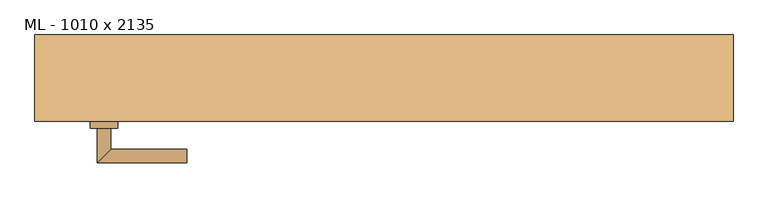
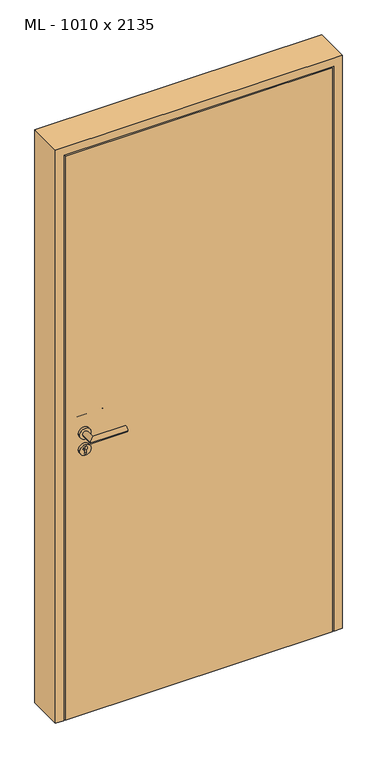
"""IFC4 building model written with IfcOpenShell, lengths in millimetres: door geometry, ML - 1010 x 2135."""

from ifc_helpers import new_model, si_unit, point, frame, frame_2d, origin, origin_with_axes, place, context, project, spatial, polyline, circle_curve, ellipse_curve, trimmed, segment, composite_curve, outline, extrude, faceted_brep, source, transform, mapped, element, save
from ifc_brep_helpers import plane_surface, cylinder_surface, advanced_brep


def ml_1010_x_2135_ade38ce4(model_context):
    return source(origin(), model_context, "Body", "SolidModel", [
        extrude(outline(polyline([(471.0, -62.5), (-471.0, -62.5), (-471.0, -17.5), (471.0, -17.5), (471.0, -62.5)])), origin_with_axes(), (0.0, 0.0, 1.0), 2101.0),
        advanced_brep(
        [(-395.0, -72.5, 1050.0), (-415.0, -72.5, 1050.0), (-415.0, -122.5, 1050.0), (-395.0, -102.5, 1050.0), (-285.0, -102.5, 1050.0), (-285.0, -122.5, 1050.0)],
        [
            (0, 1, circle_curve(frame((-405.0, -72.5, 1050.0), z_axis=(0.0, 1.0, 0.0), x_axis=(-1.0, 0.0, 0.0)), 10.0)),
            (1, 0, circle_curve(frame((-405.0, -72.5, 1050.0), z_axis=(0.0, 1.0, 0.0), x_axis=(-1.0, 0.0, 0.0)), 10.0)),
            (1, 2),
            (2, 3, ellipse_curve(frame((-405.0, -112.5, 1050.0), z_axis=(-0.7071067811865531, 0.7071067811865419, 0.0), x_axis=(0.707106781186542, 0.707106781186553, 0.0)), 14.1421356, 10.0)),
            (3, 0),
            (3, 2, ellipse_curve(frame((-405.0, -112.5, 1050.0), z_axis=(-0.7071067811865531, 0.7071067811865419, 0.0), x_axis=(0.707106781186542, 0.707106781186553, 0.0)), 14.1421356, 10.0)),
            (4, 5, circle_curve(frame((-285.0, -112.5, 1050.0), z_axis=(1.0, 0.0, 0.0), x_axis=(0.0, -1.0, 0.0)), 10.0)),
            (5, 4, circle_curve(frame((-285.0, -112.5, 1050.0), z_axis=(1.0, 0.0, 0.0), x_axis=(0.0, -1.0, 0.0)), 10.0)),
            (2, 5),
            (4, 3),
        ],
        [
            plane_surface(frame((-405.0, -72.5, 1050.0), z_axis=(0.0, 1.0, 0.0), x_axis=(0.0, 0.0, 1.0))),
            cylinder_surface(frame((-405.0, -72.5, 1050.0), z_axis=(0.0, 1.0, 0.0), x_axis=(-1.0, 0.0, 0.0)), 10.0),
            plane_surface(frame((-285.0, -112.5, 1050.0), z_axis=(1.0, 0.0, 0.0), x_axis=(0.0, 0.0, 1.0))),
            cylinder_surface(frame((-405.0, -112.5, 1050.0), z_axis=(-1.0, 0.0, 0.0), x_axis=(0.0, -1.0, 0.0)), 10.0),
        ],
        [
            (0, [[1, 2]]),
            (1, [[3, 4, 5, -2]]),
            (1, [[-5, 6, -3, -1]]),
            (2, [[7, 8]]),
            (3, [[9, -7, 10, -4]]),
            (3, [[-10, -8, -9, -6]]),
        ],
    ),
        extrude(outline(composite_curve([segment(trimmed(circle_curve(frame_2d((990.0, -405.0)), 20.0), [point((990.0, -425.0))], [point((990.0, -385.0))], False, "CARTESIAN"), True, "CONTINUOUS"), segment(trimmed(circle_curve(frame_2d((990.0, -405.0)), 20.0), [point((990.0, -385.0))], [point((990.0, -425.0))], False, "CARTESIAN"), True, "CONTINUOUS")], self_intersect=False), holes=[composite_curve([segment(polyline([(976.4601385, -407.397268), (988.4749012, -407.397268)]), True, "CONTINUOUS"), segment(trimmed(circle_curve(frame_2d((995.0361633, -405.0)), 6.9854888), [point((988.4749012, -407.397268))], [point((988.4749012, -402.602732))], True, "CARTESIAN"), True, "CONTINUOUS"), segment(polyline([(988.4749012, -402.602732), (976.4601385, -402.602732)]), True, "CONTINUOUS"), segment(trimmed(circle_curve(frame_2d((976.4601385, -405.0)), 2.397268), [point((976.4601385, -402.602732))], [point((976.4601385, -407.397268))], True, "CARTESIAN"), True, "CONTINUOUS")], self_intersect=False)]), frame((0.0, -72.5, 0.0), z_axis=(0.0, 1.0, 0.0), x_axis=(0.0, 0.0, 1.0)), (0.0, 0.0, 1.0), 10.0),
        advanced_brep(
        [(-395.0, -72.5, 1050.0), (-415.0, -72.5, 1050.0), (-415.0, -122.5, 1050.0), (-395.0, -102.5, 1050.0), (-285.0, -102.5, 1050.0), (-285.0, -122.5, 1050.0)],
        [
            (0, 1, circle_curve(frame((-405.0, -72.5, 1050.0), z_axis=(0.0, 1.0, 0.0), x_axis=(-1.0, 0.0, 0.0)), 10.0)),
            (1, 0, circle_curve(frame((-405.0, -72.5, 1050.0), z_axis=(0.0, 1.0, 0.0), x_axis=(-1.0, 0.0, 0.0)), 10.0)),
            (1, 2),
            (2, 3, ellipse_curve(frame((-405.0, -112.5, 1050.0), z_axis=(-0.7071067811865537, 0.7071067811865414, 0.0), x_axis=(0.7071067811865414, 0.7071067811865536, 0.0)), 14.1421356, 10.0)),
            (3, 0),
            (3, 2, ellipse_curve(frame((-405.0, -112.5, 1050.0), z_axis=(-0.7071067811865537, 0.7071067811865414, 0.0), x_axis=(0.7071067811865414, 0.7071067811865536, 0.0)), 14.1421356, 10.0)),
            (4, 5, circle_curve(frame((-285.0, -112.5, 1050.0), z_axis=(1.0, 0.0, 0.0), x_axis=(0.0, -1.0, 0.0)), 10.0)),
            (5, 4, circle_curve(frame((-285.0, -112.5, 1050.0), z_axis=(1.0, 0.0, 0.0), x_axis=(0.0, -1.0, 0.0)), 10.0)),
            (2, 5),
            (4, 3),
        ],
        [
            plane_surface(frame((-405.0, -72.5, 1050.0), z_axis=(0.0, 1.0, 0.0), x_axis=(0.0, 0.0, 1.0))),
            cylinder_surface(frame((-405.0, -72.5, 1050.0), z_axis=(0.0, 1.0, 0.0), x_axis=(-1.0, 0.0, 0.0)), 10.0),
            plane_surface(frame((-285.0, -112.5, 1050.0), z_axis=(1.0, 0.0, 0.0), x_axis=(0.0, 0.0, 1.0))),
            cylinder_surface(frame((-405.0, -112.5, 1050.0), z_axis=(-1.0, 0.0, 0.0), x_axis=(0.0, -1.0, 0.0)), 10.0),
        ],
        [
            (0, [[1, 2]]),
            (1, [[3, 4, 5, -2]]),
            (1, [[-5, 6, -3, -1]]),
            (2, [[7, 8]]),
            (3, [[9, -7, 10, -4]]),
            (3, [[-10, -8, -9, -6]]),
        ],
    ),
        extrude(outline(composite_curve([segment(trimmed(circle_curve(frame_2d((1050.0, -405.0)), 20.0), [point((1050.0, -425.0))], [point((1050.0, -385.0))], False, "CARTESIAN"), True, "CONTINUOUS"), segment(trimmed(circle_curve(frame_2d((1050.0, -405.0)), 20.0), [point((1050.0, -385.0))], [point((1050.0, -425.0))], False, "CARTESIAN"), True, "CONTINUOUS")], self_intersect=False)), frame((0.0, -72.5, 0.0), z_axis=(0.0, 1.0, 0.0), x_axis=(0.0, 0.0, 1.0)), (0.0, 0.0, 1.0), 10.0),
        advanced_brep(
        [(-395.0, -7.5, 1050.0), (-415.0, -7.5, 1050.0), (-395.0, 22.5, 1050.0), (-415.0, 42.5, 1050.0), (-285.0, 22.5, 1050.0), (-285.0, 42.5, 1050.0)],
        [
            (0, 1, circle_curve(frame((-405.0, -7.5, 1050.0), z_axis=(0.0, -1.0, 0.0), x_axis=(-1.0, 0.0, 0.0)), 10.0)),
            (1, 0, circle_curve(frame((-405.0, -7.5, 1050.0), z_axis=(0.0, -1.0, 0.0), x_axis=(-1.0, 0.0, 0.0)), 10.0)),
            (0, 2),
            (2, 3, ellipse_curve(frame((-405.0, 32.5, 1050.0), z_axis=(-0.7071067811865486, -0.7071067811865464, 0.0), x_axis=(0.7071067811865464, -0.7071067811865488, 0.0)), 14.1421356, 10.0)),
            (3, 1),
            (3, 2, ellipse_curve(frame((-405.0, 32.5, 1050.0), z_axis=(-0.7071067811865486, -0.7071067811865464, 0.0), x_axis=(0.7071067811865464, -0.7071067811865488, 0.0)), 14.1421356, 10.0)),
            (4, 5, circle_curve(frame((-285.0, 32.5, 1050.0), z_axis=(1.0, 0.0, 0.0), x_axis=(0.0, 1.0, 0.0)), 10.0)),
            (5, 4, circle_curve(frame((-285.0, 32.5, 1050.0), z_axis=(1.0, 0.0, 0.0), x_axis=(0.0, 1.0, 0.0)), 10.0)),
            (2, 4),
            (5, 3),
        ],
        [
            plane_surface(frame((-405.0, -7.5, 1050.0), z_axis=(0.0, -1.0, 0.0), x_axis=(0.0, 0.0, 1.0))),
            cylinder_surface(frame((-405.0, -7.5, 1050.0), z_axis=(0.0, -1.0, 0.0), x_axis=(-1.0, 0.0, 0.0)), 10.0),
            plane_surface(frame((-285.0, 32.5, 1050.0), z_axis=(1.0, 0.0, 0.0), x_axis=(0.0, 0.0, 1.0))),
            cylinder_surface(frame((-405.0, 32.5, 1050.0), z_axis=(-1.0, 0.0, 0.0), x_axis=(0.0, 1.0, 0.0)), 10.0),
        ],
        [
            (0, [[1, 2]]),
            (1, [[-1, 3, 4, 5]]),
            (1, [[-2, -5, 6, -3]]),
            (2, [[7, 8]]),
            (3, [[-4, 9, -8, 10]]),
            (3, [[-6, -10, -7, -9]]),
        ],
    ),
        extrude(outline(composite_curve([segment(trimmed(circle_curve(frame_2d((990.0, -405.0)), 20.0), [point((990.0, -425.0))], [point((990.0, -385.0))], False, "CARTESIAN"), True, "CONTINUOUS"), segment(trimmed(circle_curve(frame_2d((990.0, -405.0)), 20.0), [point((990.0, -385.0))], [point((990.0, -425.0))], False, "CARTESIAN"), True, "CONTINUOUS")], self_intersect=False), holes=[composite_curve([segment(polyline([(976.4601385, -407.397268), (988.4749012, -407.397268)]), True, "CONTINUOUS"), segment(trimmed(circle_curve(frame_2d((995.0361633, -405.0)), 6.9854888), [point((988.4749012, -407.397268))], [point((988.4749012, -402.602732))], True, "CARTESIAN"), True, "CONTINUOUS"), segment(polyline([(988.4749012, -402.602732), (976.4601385, -402.602732)]), True, "CONTINUOUS"), segment(trimmed(circle_curve(frame_2d((976.4601385, -405.0)), 2.397268), [point((976.4601385, -402.602732))], [point((976.4601385, -407.397268))], True, "CARTESIAN"), True, "CONTINUOUS")], self_intersect=False)]), frame((0.0, -17.5, 0.0), z_axis=(0.0, 1.0, 0.0), x_axis=(0.0, 0.0, 1.0)), (0.0, 0.0, 1.0), 10.0),
        advanced_brep(
        [(-395.0, -7.5, 1050.0), (-415.0, -7.5, 1050.0), (-395.0, 22.5, 1050.0), (-415.0, 42.5, 1050.0), (-285.0, 22.5, 1050.0), (-285.0, 42.5, 1050.0)],
        [
            (0, 1, circle_curve(frame((-405.0, -7.5, 1050.0), z_axis=(0.0, -1.0, 0.0), x_axis=(-1.0, 0.0, 0.0)), 10.0)),
            (1, 0, circle_curve(frame((-405.0, -7.5, 1050.0), z_axis=(0.0, -1.0, 0.0), x_axis=(-1.0, 0.0, 0.0)), 10.0)),
            (0, 2),
            (2, 3, ellipse_curve(frame((-405.0, 32.5, 1050.0), z_axis=(-0.7071067811865491, -0.7071067811865459, 0.0), x_axis=(0.7071067811865458, -0.7071067811865492, 0.0)), 14.1421356, 10.0)),
            (3, 1),
            (3, 2, ellipse_curve(frame((-405.0, 32.5, 1050.0), z_axis=(-0.7071067811865491, -0.7071067811865459, 0.0), x_axis=(0.7071067811865458, -0.7071067811865492, 0.0)), 14.1421356, 10.0)),
            (4, 5, circle_curve(frame((-285.0, 32.5, 1050.0), z_axis=(1.0, 0.0, 0.0), x_axis=(0.0, 1.0, 0.0)), 10.0)),
            (5, 4, circle_curve(frame((-285.0, 32.5, 1050.0), z_axis=(1.0, 0.0, 0.0), x_axis=(0.0, 1.0, 0.0)), 10.0)),
            (2, 4),
            (5, 3),
        ],
        [
            plane_surface(frame((-405.0, -7.5, 1050.0), z_axis=(0.0, -1.0, 0.0), x_axis=(0.0, 0.0, 1.0))),
            cylinder_surface(frame((-405.0, -7.5, 1050.0), z_axis=(0.0, -1.0, 0.0), x_axis=(-1.0, 0.0, 0.0)), 10.0),
            plane_surface(frame((-285.0, 32.5, 1050.0), z_axis=(1.0, 0.0, 0.0), x_axis=(0.0, 0.0, 1.0))),
            cylinder_surface(frame((-405.0, 32.5, 1050.0), z_axis=(-1.0, 0.0, 0.0), x_axis=(0.0, 1.0, 0.0)), 10.0),
        ],
        [
            (0, [[1, 2]]),
            (1, [[-1, 3, 4, 5]]),
            (1, [[-2, -5, 6, -3]]),
            (2, [[7, 8]]),
            (3, [[-4, 9, -8, 10]]),
            (3, [[-6, -10, -7, -9]]),
        ],
    ),
        extrude(outline(composite_curve([segment(trimmed(circle_curve(frame_2d((1050.0, -405.0)), 20.0), [point((1050.0, -425.0))], [point((1050.0, -385.0))], False, "CARTESIAN"), True, "CONTINUOUS"), segment(trimmed(circle_curve(frame_2d((1050.0, -405.0)), 20.0), [point((1050.0, -385.0))], [point((1050.0, -425.0))], False, "CARTESIAN"), True, "CONTINUOUS")], self_intersect=False)), frame((0.0, -17.5, 0.0), z_axis=(0.0, 1.0, 0.0), x_axis=(0.0, 0.0, 1.0)), (0.0, 0.0, 1.0), 10.0),
        faceted_brep([(-475.0, -62.5, 0.0), (-505.0, -62.5, 0.0), (-505.0, 62.5, 0.0), (-460.0, 62.5, 0.0), (-460.0, -17.5, 0.0), (-475.0, -17.5, 0.0), (-475.0, -17.5, 2105.0), (-475.0, -62.5, 2105.0), (-460.0, -17.5, 2090.0), (460.0, -17.5, 2090.0), (460.0, -17.5, 0.0), (475.0, -17.5, 0.0), (475.0, -17.5, 2105.0), (-460.0, 62.5, 2090.0), (-505.0, 62.5, 2135.0), (505.0, 62.5, 2135.0), (505.0, 62.5, 0.0), (460.0, 62.5, 0.0), (460.0, 62.5, 2090.0), (-505.0, -62.5, 2135.0), (475.0, -62.5, 2105.0), (475.0, -62.5, 0.0), (505.0, -62.5, 0.0), (505.0, -62.5, 2135.0)], [[[0, 1, 2, 3, 4, 5]], [[5, 6, 7, 0]], [[4, 8, 9, 10, 11, 12, 6, 5]], [[3, 13, 8, 4]], [[2, 14, 15, 16, 17, 18, 13, 3]], [[1, 19, 14, 2]], [[0, 7, 20, 21, 22, 23, 19, 1]], [[23, 22, 16, 15]], [[21, 11, 10, 17, 16, 22]], [[12, 11, 21, 20]], [[18, 17, 10, 9]], [[19, 23, 15, 14]], [[13, 18, 9, 8]], [[6, 12, 20, 7]]]),
    ])


if __name__ == "__main__":
    model = new_model("IFC4")
    model_context = context("Model", 3, world=origin())
    ifc_project = project(units=[si_unit("LENGTHUNIT", "METRE", prefix="MILLI")], contexts=[model_context])
    site = spatial("IfcSite", under=ifc_project)
    building = spatial("IfcBuilding", under=site)
    placement = place(None, origin())
    ml_1010_x_2135_shape = ml_1010_x_2135_ade38ce4(model_context)
    element("IfcDoor", 1, ObjectType="ML - 1010 x 2135", at=placement, inside=building, context=model_context, shape_type="MappedRepresentation", body=[
        mapped(ml_1010_x_2135_shape, transform((0.0, 0.0, 0.0), x_axis=(1.0, 0.0, 0.0), y_axis=(0.0, 1.0, 0.0), z_axis=(0.0, 0.0, 1.0))),
    ])
    save(model, "model.ifc")
